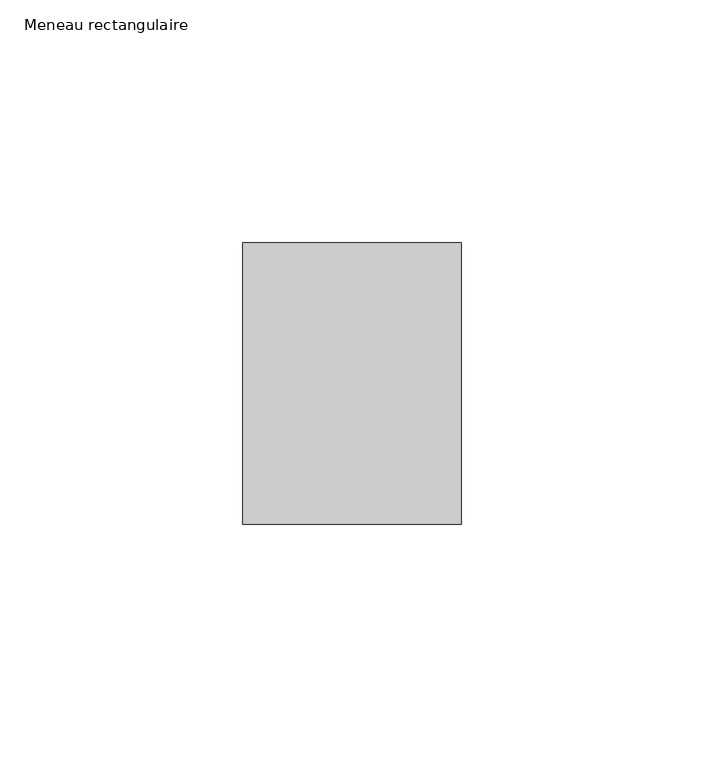
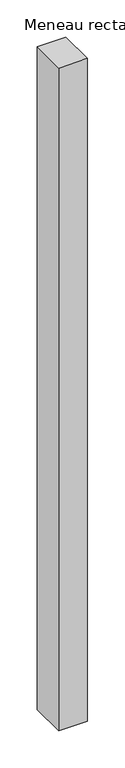
"""IFC4 building model written with IfcOpenShell, lengths in millimetres: member geometry, Meneau rectangulaire."""

import ifcopenshell
import ifcopenshell.guid

model = None  # the IFC model being written
_history = None  # IfcOwnerHistory: only IFC2X3 demands one
_inside = {}  # id of a spatial element -> (the spatial element, [elements in it])
_under = {}  # id of a project, library or spatial element -> (it, [spatial elements below it])
_declared = {}  # id of a project -> (the project, [libraries it declares])
_typed = {}  # id of a type object -> (the type object, [elements of that type])
_made_of = {}  # id of a material, layer set ... -> (it, [elements and type objects made of it])


def new_model(schema):
    """Start an empty IFC model of exactly this schema.

    Asked for "IFC4X3", IfcOpenShell would pick the latest addendum, in which some entities
    have other attributes; the version numbers below select the first issue.
    IFC2X3 requires an IfcOwnerHistory on every rooted entity: one is made here for all.
    """
    global model, _history
    if schema == "IFC4X3":
        model = ifcopenshell.file(schema_version=(4, 3, 0, 0))
    else:
        model = ifcopenshell.file(schema=schema)
    _inside.clear()
    _under.clear()
    _declared.clear()
    _typed.clear()
    _made_of.clear()
    _history = None
    if model.schema == "IFC2X3":
        org = make("IfcOrganization", Name="unknown")
        user = make(
            "IfcPersonAndOrganization",
            ThePerson=make("IfcPerson", FamilyName="unknown"),
            TheOrganization=org,
        )
        app = make(
            "IfcApplication",
            ApplicationDeveloper=org,
            Version="unknown",
            ApplicationFullName="unknown",
            ApplicationIdentifier="unknown",
        )
        _history = make(
            "IfcOwnerHistory",
            OwningUser=user,
            OwningApplication=app,
            ChangeAction="ADDED",
            CreationDate=0,
        )
    return model


def make(cls, **values):
    """One entity of the class cls with the attributes given. An attribute that is None is left unset."""
    return model.create_entity(
        cls, **{name: value for name, value in values.items() if value is not None}
    )


def rooted(cls, **values):
    """An entity with a GlobalId (a new one), such as an element, a storey or a relation."""
    return make(cls, GlobalId=ifcopenshell.guid.new(), OwnerHistory=_history, **values)


def si_unit(unit_type, name, prefix=None):
    """IfcSIUnit, for example si_unit("LENGTHUNIT", "METRE", prefix="MILLI")."""
    return make("IfcSIUnit", UnitType=unit_type, Prefix=prefix, Name=name)


def assignment(units):
    """IfcUnitAssignment: the units of a project."""
    return None if units is None else make("IfcUnitAssignment", Units=units)


def point(xyz):
    """IfcCartesianPoint."""
    return None if xyz is None else make("IfcCartesianPoint", Coordinates=xyz)


def direction(xyz):
    """IfcDirection."""
    return None if xyz is None else make("IfcDirection", DirectionRatios=xyz)


def frame(location, z_axis=None, x_axis=None):
    """IfcAxis2Placement3D, a coordinate frame: its origin and axes. An axis left out is left unset."""
    return make(
        "IfcAxis2Placement3D",
        Location=point(location),
        Axis=direction(z_axis),
        RefDirection=direction(x_axis),
    )


def origin():
    """The frame at (0, 0, 0) with its axes left unset."""
    return frame((0.0, 0.0, 0.0))


def place(relative_to, where):
    """IfcLocalPlacement: puts the frame where relative to a parent placement (None: the world)."""
    return make(
        "IfcLocalPlacement", PlacementRelTo=relative_to, RelativePlacement=where
    )


def context(
    kind, dimensions, precision=None, world=None, true_north=None, identifier=None
):
    """IfcGeometricRepresentationContext, for example the 3D "Model" context."""
    return make(
        "IfcGeometricRepresentationContext",
        ContextIdentifier=identifier,
        ContextType=kind,
        CoordinateSpaceDimension=dimensions,
        Precision=precision,
        WorldCoordinateSystem=world,
        TrueNorth=true_north,
    )


def project(units=None, contexts=None):
    """IfcProject with its units and contexts."""
    return rooted(
        "IfcProject",
        Name="project",
        RepresentationContexts=contexts,
        UnitsInContext=assignment(units),
    )


def spatial(cls, under=None, at=None, **own):
    """A site, building, storey or space (cls), placed at a placement, below another one or the project."""
    s = rooted(cls, ObjectPlacement=at, **own)
    if under is not None:
        _under.setdefault(under.id(), (under, []))[1].append(s)
    return s


def polyline(points):
    """IfcPolyline through the points."""
    return make("IfcPolyline", Points=[point(p) for p in points])


def outline(outer, holes=None, kind="AREA"):
    """IfcArbitraryClosedProfileDef: a profile drawn as a closed curve; with holes, ...WithVoids."""
    if holes is None:
        return make("IfcArbitraryClosedProfileDef", ProfileType=kind, OuterCurve=outer)
    return make(
        "IfcArbitraryProfileDefWithVoids",
        ProfileType=kind,
        OuterCurve=outer,
        InnerCurves=holes,
    )


def extrude(swept, where, along, depth):
    """IfcExtrudedAreaSolid: the profile swept, set in the frame where, extruded along a direction by depth."""
    return make(
        "IfcExtrudedAreaSolid",
        SweptArea=swept,
        Position=where,
        ExtrudedDirection=direction(along),
        Depth=depth,
    )


def shape(context_of_items, identifier, shape_type, items):
    """IfcShapeRepresentation: the items that make up one representation, for example the "Body"."""
    return make(
        "IfcShapeRepresentation",
        ContextOfItems=context_of_items,
        RepresentationIdentifier=identifier,
        RepresentationType=shape_type,
        Items=items,
    )


def source(mapping_origin, context_of_items, identifier, shape_type, items):
    """IfcRepresentationMap: a shape defined once, which mapped items show again and again."""
    return make(
        "IfcRepresentationMap",
        MappingOrigin=mapping_origin,
        MappedRepresentation=shape(context_of_items, identifier, shape_type, items),
    )


def transform(
    local_origin,
    x_axis=None,
    y_axis=None,
    z_axis=None,
    scale=None,
    scale2=None,
    scale3=None,
    uniform=True,
):
    """IfcCartesianTransformationOperator3D, or its non-uniform kind. x_axis, y_axis, z_axis: its Axis1, 2, 3."""
    if uniform:
        return make(
            "IfcCartesianTransformationOperator3D",
            Axis1=direction(x_axis),
            Axis2=direction(y_axis),
            LocalOrigin=point(local_origin),
            Scale=scale,
            Axis3=direction(z_axis),
        )
    return make(
        "IfcCartesianTransformationOperator3DnonUniform",
        Axis1=direction(x_axis),
        Axis2=direction(y_axis),
        LocalOrigin=point(local_origin),
        Scale=scale,
        Axis3=direction(z_axis),
        Scale2=scale2,
        Scale3=scale3,
    )


def mapped(mapping_source, mapping_target):
    """IfcMappedItem: shows the shape of a source again, moved by a transform."""
    return make(
        "IfcMappedItem", MappingSource=mapping_source, MappingTarget=mapping_target
    )


def made_of(thing, what):
    """Note that an element or type object is made of a material, layer set ...; save() writes the relation."""
    if what is not None:
        _made_of.setdefault(what.id(), (what, []))[1].append(thing)
    return thing


def element(
    cls,
    number,
    at=None,
    inside=None,
    cuts=None,
    type_object=None,
    material=None,
    context=None,
    identifier="Body",
    shape_type=None,
    held_by="IfcProductDefinitionShape",
    body=None,
    shapes=None,
    **own,
):
    """One element of the class cls, such as IfcWall. Its Tag is "e" and its number.

    at: its placement. inside: the storey or other place that contains it. cuts: it is an
    opening in that element (IfcRelVoidsElement). A single representation is given by context,
    identifier, shape_type and body (its items); several are given by shapes. held_by: the class
    of the entity that holds the representations. save() writes the other relations.
    """
    e = rooted(cls, Tag="e%d" % number, ObjectPlacement=at, **own)
    if body is not None:
        shapes = [shape(context, identifier, shape_type, body)]
    if shapes is not None:
        e.Representation = make(held_by, Representations=shapes)
    if inside is not None:
        _inside.setdefault(inside.id(), (inside, []))[1].append(e)
    if cuts is not None:
        rooted(
            "IfcRelVoidsElement", RelatingBuildingElement=cuts, RelatedOpeningElement=e
        )
    if type_object is not None:
        _typed.setdefault(type_object.id(), (type_object, []))[1].append(e)
    return made_of(e, material)


def aggregate(whole, parts):
    """IfcRelAggregates: a whole, such as a stair, and the parts it consists of."""
    return rooted("IfcRelAggregates", RelatingObject=whole, RelatedObjects=parts)


def save(model, path):
    """Write the relations noted so far, then the file.

    IfcRelAggregates (storeys below a building ...), IfcRelContainedInSpatialStructure (elements
    in a storey), IfcRelDefinesByType, IfcRelAssociatesMaterial and IfcRelDeclares: one each for
    every whole, place, type object, material and project.
    """
    for whole, parts in _under.values():
        aggregate(whole, parts)
    for where, things in _inside.values():
        rooted(
            "IfcRelContainedInSpatialStructure",
            RelatedElements=things,
            RelatingStructure=where,
        )
    for kind, things in _typed.values():
        rooted("IfcRelDefinesByType", RelatedObjects=things, RelatingType=kind)
    for what, things in _made_of.values():
        rooted("IfcRelAssociatesMaterial", RelatedObjects=things, RelatingMaterial=what)
    for by, libraries in _declared.values():
        rooted("IfcRelDeclares", RelatingContext=by, RelatedDefinitions=libraries)
    model.write(path)


def meneau_rectangulaire_15778f10(model_context):
    return source(origin(), model_context, "Body", "SweptSolid", [
        extrude(outline(polyline([(0.0, 29.0), (0.0, -29.0), (-45.0, -29.0), (-45.0, 29.0), (0.0, 29.0)])), frame((0.0, 0.0, -1091.3749998), z_axis=(0.0, 0.0, 1.0), x_axis=(1.0, 0.0, 0.0)), (0.0, 0.0, 1.0), 1091.3749998),
    ])


if __name__ == "__main__":
    model = new_model("IFC4")
    model_context = context("Model", 3, world=origin())
    ifc_project = project(units=[si_unit("LENGTHUNIT", "METRE", prefix="MILLI")], contexts=[model_context])
    site = spatial("IfcSite", under=ifc_project)
    building = spatial("IfcBuilding", under=site)
    placement = place(None, origin())
    meneau_rectangulaire_shape = meneau_rectangulaire_15778f10(model_context)
    element("IfcMember", 1, ObjectType="Meneau rectangulaire", at=placement, inside=building, context=model_context, shape_type="MappedRepresentation", body=[
        mapped(meneau_rectangulaire_shape, transform((0.0, 0.0, 0.0), x_axis=(1.0, 0.0, 0.0), y_axis=(0.0, 1.0, 0.0), z_axis=(0.0, 0.0, 1.0))),
    ])
    save(model, "model.ifc")
